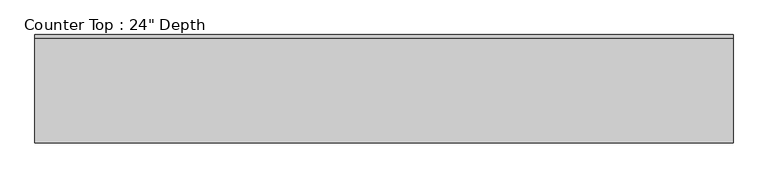
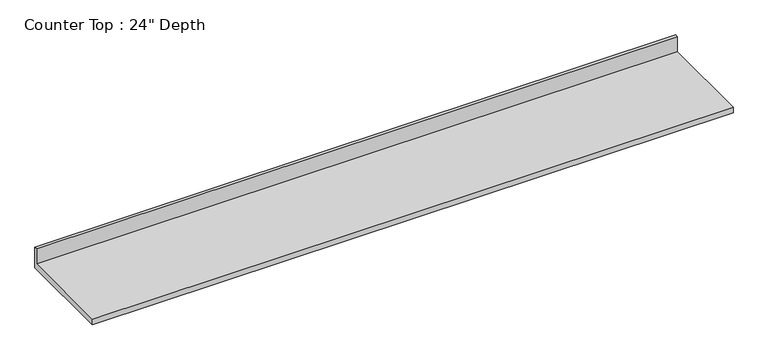
"""IFC4 building model written with IfcOpenShell, lengths in millimetres: furniture geometry."""

from ifc_helpers import new_model, si_unit, frame, origin, place, context, project, spatial, polyline, outline, extrude, source, transform, mapped, element, save


def furniture_55a7c509(model_context):
    return source(origin(), model_context, "Body", "SweptSolid", [
        extrude(outline(polyline([(0.0, 1016.0), (0.0, 876.3), (-635.0, 876.3), (-635.0, 914.4), (-19.05, 914.4), (-19.05, 1016.0), (0.0, 1016.0)])), frame((-1200.4622951, 0.0, 0.0), z_axis=(1.0, 0.0, 0.0), x_axis=(0.0, 1.0, 0.0)), (0.0, 0.0, 1.0), 4087.9613281),
    ])


if __name__ == "__main__":
    model = new_model("IFC4")
    model_context = context("Model", 3, world=origin())
    ifc_project = project(units=[si_unit("LENGTHUNIT", "METRE", prefix="MILLI")], contexts=[model_context])
    site = spatial("IfcSite", under=ifc_project)
    building = spatial("IfcBuilding", under=site)
    placement = place(None, origin())
    furniture_shape = furniture_55a7c509(model_context)
    element("IfcFurniture", 1, ObjectType="Counter Top : 24\" Depth", at=placement, inside=building, context=model_context, shape_type="MappedRepresentation", body=[
        mapped(furniture_shape, transform((0.0, 0.0, 0.0), x_axis=(1.0, 0.0, 0.0), y_axis=(0.0, 1.0, 0.0), z_axis=(0.0, 0.0, 1.0))),
    ])
    save(model, "model.ifc")
